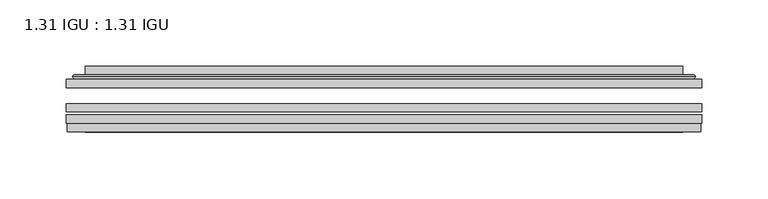
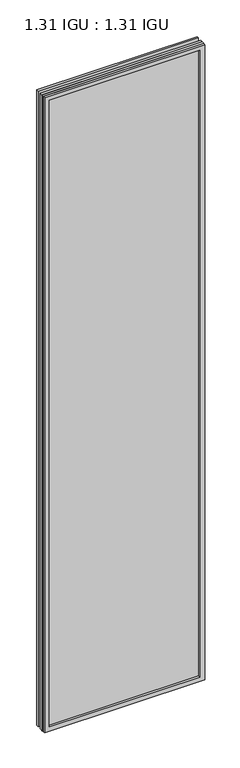
"""IFC4 building model written with IfcOpenShell, lengths in millimetres: plate geometry, 1.31 IGU : 1.31 IGU."""

from ifc_helpers import new_model, si_unit, frame, origin, place, context, project, spatial, polyline, ellipse_curve, outline, extrude, faceted_brep, source, transform, mapped, element, save
from ifc_brep_helpers import plane_surface, cylinder_surface, advanced_brep


def plate_1_31_igu_1_31_igu_8523400d(model_context):
    return source(origin(), model_context, "Body", "SolidModel", [
        extrude(outline(polyline([(239.726675, -63.59525), (239.726675, -69.94525), (-239.7125, -69.94525), (-239.7125, -63.59525), (239.726675, -63.59525)])), frame((0.0, 0.0, -14.2875), z_axis=(0.0, 0.0, 1.0), x_axis=(1.0, 0.0, 0.0)), (0.0, 0.0, 1.0), 2009.8015278),
        extrude(outline(polyline([(-239.7125, -78.58125), (-239.7125, -72.230745), (239.726675, -72.230745), (239.726675, -78.58125), (-239.7125, -78.58125)])), frame((0.0, 0.0, -14.2875), z_axis=(0.0, 0.0, 1.0), x_axis=(1.0, 0.0, 0.0)), (0.0, 0.0, 1.0), 2009.8015278),
        extrude(outline(polyline([(239.726675, -45.25645), (239.726675, -51.60645), (-239.7125, -51.60645), (-239.7125, -45.25645), (239.726675, -45.25645)])), frame((0.0, 0.0, -14.2875), z_axis=(0.0, 0.0, 1.0), x_axis=(1.0, 0.0, 0.0)), (0.0, 0.0, 1.0), 2009.8015278),
        faceted_brep([(-239.0123142, -84.93125, 1994.8100441), (-239.0123142, -78.58125, 1994.8100441), (-239.0123142, -78.58125, -13.5873142), (-239.0123142, -84.93125, -13.5873142), (239.0123142, -78.58125, -13.5873142), (239.0123142, -84.93125, -13.5873142), (239.0123142, -78.58125, 1994.8100441), (239.0123142, -84.93125, 1994.8100441), (-224.5272559, -78.58125, 0.8977441), (224.5272559, -78.58125, 0.8977441), (224.5272559, -78.58125, 1980.3249858), (-224.5272559, -78.58125, 1980.3249858), (-225.4196902, -84.93125, 1981.2174201), (225.4196902, -84.93125, 1981.2174201), (225.4196902, -84.93125, 0.0053098), (-225.4196902, -84.93125, 0.0053098)], [[[0, 1, 2, 3]], [[3, 2, 4, 5]], [[5, 4, 6, 7]], [[1, 6, 4, 2], [8, 9, 10, 11]], [[7, 6, 1, 0]], [[3, 5, 7, 0], [12, 13, 14, 15]], [[11, 12, 15, 8]], [[8, 15, 14, 9]], [[9, 14, 13, 10]], [[10, 13, 12, 11]]]),
        advanced_brep(
        [(-232.471219, -45.25645, 1988.2689489), (-234.8254244, -43.2667833, 1990.6231543), (-234.8254244, -43.2667833, -9.4004244), (-232.471219, -45.25645, -7.046219), (-223.3968939, -41.416413, 1979.1946238), (-218.4620621, -45.25645, 1974.2597919), (-218.4620621, -45.25645, 6.9629379), (-223.3968939, -41.416413, 2.0281061), (-224.4289217, -36.0191819, 1980.2266515), (-224.4289217, -36.0191819, 0.9960783), (-225.4195784, -35.6202069, 1981.2173083), (-225.4195784, -35.6202069, 0.0054216), (-225.4195784, -42.08145, 1981.2173083), (-225.4195784, -42.08145, 0.0054216), (-233.8236349, -42.08145, 1989.6213648), (-233.8236349, -42.08145, -8.3986349), (234.8254244, -43.2667833, -9.4004244), (232.471219, -45.25645, -7.046219), (218.4620621, -45.25645, 6.9629379), (223.3968939, -41.416413, 2.0281061), (224.4289217, -36.0191819, 0.9960783), (225.4195784, -35.6202069, 0.0054216), (225.4195784, -42.08145, 0.0054216), (233.8236349, -42.08145, -8.3986349), (234.8254244, -43.2667833, 1990.6231543), (232.471219, -45.25645, 1988.2689489), (218.4620621, -45.25645, 1974.2597919), (223.3968939, -41.416413, 1979.1946238), (224.4289217, -36.0191819, 1980.2266515), (225.4195784, -35.6202069, 1981.2173083), (225.4195784, -42.08145, 1981.2173083), (233.8236349, -42.08145, 1989.6213648)],
        [
            (0, 1, ellipse_curve(frame((-232.471219, -42.86885, 1988.2689489), z_axis=(-0.7071067811865475, 0.0, -0.7071067811865475), x_axis=(-0.7071067811865474, 0.0, 0.7071067811865476)), 3.3765763, 2.3876)),
            (1, 2),
            (2, 3, ellipse_curve(frame((-232.471219, -42.86885, -7.046219), z_axis=(-0.7071067811865475, 0.0, 0.7071067811865475), x_axis=(0.7071067811865474, 0.0, 0.7071067811865476)), 3.3765763, 2.3876)),
            (3, 0),
            (4, 5),
            (5, 6),
            (6, 7),
            (7, 4),
            (8, 4),
            (7, 9),
            (9, 8),
            (10, 8, ellipse_curve(frame((-225.0526219, -36.1384423, 1980.8503517), z_axis=(-0.7071067811865475, 0.0, -0.7071067811865475), x_axis=(-0.7071067811865474, 0.0, 0.7071067811865476)), 0.8980256, 0.635)),
            (9, 11, ellipse_curve(frame((-225.0526219, -36.1384423, 0.3723781), z_axis=(-0.7071067811865475, 0.0, 0.7071067811865475), x_axis=(0.7071067811865474, 0.0, 0.7071067811865476)), 0.8980256, 0.635)),
            (11, 10),
            (12, 10),
            (11, 13),
            (13, 12),
            (1, 14, ellipse_curve(frame((-233.8236349, -43.09745, 1989.6213648), z_axis=(-0.7071067811865475, 0.0, -0.7071067811865475), x_axis=(-0.7071067811865474, 0.0, 0.7071067811865476)), 1.436841, 1.016)),
            (14, 15),
            (15, 2, ellipse_curve(frame((-233.8236349, -43.09745, -8.3986349), z_axis=(-0.7071067811865475, 0.0, 0.7071067811865475), x_axis=(0.7071067811865474, 0.0, 0.7071067811865476)), 1.436841, 1.016)),
            (2, 16),
            (16, 17, ellipse_curve(frame((232.471219, -42.86885, -7.046219), z_axis=(-0.7071067811865475, 0.0, -0.7071067811865475), x_axis=(-0.7071067811865476, 0.0, 0.7071067811865474)), 3.3765763, 2.3876)),
            (17, 3),
            (6, 18),
            (18, 19),
            (19, 7),
            (19, 20),
            (20, 9),
            (20, 21, ellipse_curve(frame((225.0526219, -36.1384423, 0.3723781), z_axis=(-0.7071067811865475, 0.0, -0.7071067811865475), x_axis=(-0.7071067811865476, 0.0, 0.7071067811865474)), 0.8980256, 0.635)),
            (21, 11),
            (21, 22),
            (22, 13),
            (15, 23),
            (23, 16, ellipse_curve(frame((233.8236349, -43.09745, -8.3986349), z_axis=(-0.7071067811865475, 0.0, -0.7071067811865475), x_axis=(-0.7071067811865476, 0.0, 0.7071067811865474)), 1.436841, 1.016)),
            (16, 24),
            (24, 25, ellipse_curve(frame((232.471219, -42.86885, 1988.2689489), z_axis=(0.7071067811865475, 0.0, -0.7071067811865475), x_axis=(-0.7071067811865474, 0.0, -0.7071067811865476)), 3.3765763, 2.3876)),
            (25, 17),
            (18, 26),
            (26, 27),
            (27, 19),
            (27, 28),
            (28, 20),
            (28, 29, ellipse_curve(frame((225.0526219, -36.1384423, 1980.8503517), z_axis=(0.7071067811865475, 0.0, -0.7071067811865475), x_axis=(-0.7071067811865474, 0.0, -0.7071067811865476)), 0.8980256, 0.635)),
            (29, 21),
            (29, 30),
            (30, 22),
            (23, 31),
            (31, 24, ellipse_curve(frame((233.8236349, -43.09745, 1989.6213648), z_axis=(0.7071067811865475, 0.0, -0.7071067811865475), x_axis=(-0.7071067811865474, 0.0, -0.7071067811865476)), 1.436841, 1.016)),
            (24, 1),
            (0, 25),
            (5, 26),
            (4, 27),
            (8, 28),
            (10, 29),
            (12, 30),
            (14, 31),
        ],
        [
            cylinder_surface(frame((-232.471219, -42.86885, 2012.9727299), z_axis=(0.0, 0.0, 1.0), x_axis=(-1.0, 0.0, 0.0)), 2.3876),
            plane_surface(frame((-218.4620621, -45.25645, 1974.2597919), z_axis=(0.6141233906514794, 0.7892100234124821, 0.0), x_axis=(0.0, 0.0, -1.0))),
            plane_surface(frame((-223.3968939, -41.416413, 1979.1946238), z_axis=(0.9822050625507729, 0.18781164793386076, 0.0), x_axis=(0.0, 0.0, -1.0))),
            cylinder_surface(frame((-225.0526219, -36.1384423, 2012.9727299), z_axis=(0.0, 0.0, 1.0), x_axis=(-1.0, 0.0, 0.0)), 0.635),
            plane_surface(frame((-225.4195784, -35.6202069, 1981.2173083), z_axis=(-1.0, 0.0, 0.0), x_axis=(0.0, 0.0, -1.0))),
            cylinder_surface(frame((-233.8236349, -43.09745, 2012.9727299), z_axis=(0.0, 0.0, 1.0), x_axis=(-1.0, 0.0, 0.0)), 1.016),
            cylinder_surface(frame((-257.175, -42.86885, -7.046219), z_axis=(-1.0, 0.0, 0.0), x_axis=(0.0, 0.0, -1.0)), 2.3876),
            plane_surface(frame((-218.4620621, -45.25645, 6.9629379), z_axis=(0.0, 0.7892100234124841, 0.6141233906514768), x_axis=(1.0, 0.0, 0.0))),
            plane_surface(frame((-223.3968939, -41.416413, 2.0281061), z_axis=(0.0, 0.18781164793386393, 0.9822050625507723), x_axis=(1.0, 0.0, 0.0))),
            cylinder_surface(frame((-257.175, -36.1384423, 0.3723781), z_axis=(-1.0, 0.0, 0.0), x_axis=(0.0, 0.0, -1.0)), 0.635),
            plane_surface(frame((-225.4195784, -35.6202069, 0.0054216), z_axis=(0.0, 0.0, -1.0), x_axis=(1.0, 0.0, 0.0))),
            cylinder_surface(frame((-257.175, -43.09745, -8.3986349), z_axis=(-1.0, 0.0, 0.0), x_axis=(0.0, 0.0, -1.0)), 1.016),
            cylinder_surface(frame((232.471219, -42.86885, -31.75), z_axis=(0.0, 0.0, -1.0), x_axis=(1.0, 0.0, 0.0)), 2.3876),
            plane_surface(frame((218.4620621, -45.25645, 6.9629379), z_axis=(-0.6141233906514743, 0.7892100234124861, 0.0), x_axis=(0.0, 0.0, 1.0))),
            plane_surface(frame((223.3968939, -41.416413, 2.0281061), z_axis=(-0.9822050625507718, 0.1878116479338671, 0.0), x_axis=(0.0, 0.0, 1.0))),
            cylinder_surface(frame((225.0526219, -36.1384423, -31.75), z_axis=(0.0, 0.0, -1.0), x_axis=(1.0, 0.0, 0.0)), 0.635),
            plane_surface(frame((225.4195784, -35.6202069, 0.0054216), z_axis=(1.0, 0.0, 0.0), x_axis=(0.0, 0.0, 1.0))),
            cylinder_surface(frame((233.8236349, -43.09745, -31.75), z_axis=(0.0, 0.0, -1.0), x_axis=(1.0, 0.0, 0.0)), 1.016),
            cylinder_surface(frame((257.175, -42.86885, 1988.2689489), z_axis=(1.0, 0.0, 0.0), x_axis=(0.0, 0.0, 1.0)), 2.3876),
            plane_surface(frame((232.471219, -45.25645, 1988.2689489), z_axis=(0.0, -1.0, 0.0), x_axis=(-1.0, 0.0, 0.0))),
            plane_surface(frame((218.4620621, -45.25645, 1974.2597919), z_axis=(0.0, 0.7892100234124841, -0.6141233906514768), x_axis=(-1.0, 0.0, 0.0))),
            plane_surface(frame((223.3968939, -41.416413, 1979.1946238), z_axis=(0.0, 0.18781164793386393, -0.9822050625507723), x_axis=(-1.0, 0.0, 0.0))),
            cylinder_surface(frame((257.175, -36.1384423, 1980.8503517), z_axis=(1.0, 0.0, 0.0), x_axis=(0.0, 0.0, 1.0)), 0.635),
            plane_surface(frame((225.4195784, -35.6202069, 1981.2173083), z_axis=(0.0, 0.0, 1.0), x_axis=(-1.0, 0.0, 0.0))),
            plane_surface(frame((225.4195784, -42.08145, 1981.2173083), z_axis=(0.0, 1.0, 0.0), x_axis=(-1.0, 0.0, 0.0))),
            cylinder_surface(frame((257.175, -43.09745, 1989.6213648), z_axis=(1.0, 0.0, 0.0), x_axis=(0.0, 0.0, 1.0)), 1.016),
        ],
        [
            (0, [[1, 2, 3, 4]]),
            (1, [[5, 6, 7, 8]]),
            (2, [[9, -8, 10, 11]]),
            (3, [[12, -11, 13, 14]]),
            (4, [[15, -14, 16, 17]]),
            (5, [[18, 19, 20, -2]]),
            (6, [[-3, 21, 22, 23]]),
            (7, [[-7, 24, 25, 26]]),
            (8, [[-10, -26, 27, 28]]),
            (9, [[-13, -28, 29, 30]]),
            (10, [[-16, -30, 31, 32]]),
            (11, [[-20, 33, 34, -21]]),
            (12, [[-22, 35, 36, 37]]),
            (13, [[-25, 38, 39, 40]]),
            (14, [[-27, -40, 41, 42]]),
            (15, [[-29, -42, 43, 44]]),
            (16, [[-31, -44, 45, 46]]),
            (17, [[-34, 47, 48, -35]]),
            (18, [[-36, 49, -1, 50]]),
            (19, [[-23, -37, -50, -4], [51, -38, -24, -6]]),
            (20, [[-39, -51, -5, 52]]),
            (21, [[-41, -52, -9, 53]]),
            (22, [[-43, -53, -12, 54]]),
            (23, [[-45, -54, -15, 55]]),
            (24, [[56, -47, -33, -19], [-32, -46, -55, -17]]),
            (25, [[-48, -56, -18, -49]]),
        ],
    ),
    ])


if __name__ == "__main__":
    model = new_model("IFC4")
    model_context = context("Model", 3, world=origin())
    ifc_project = project(units=[si_unit("LENGTHUNIT", "METRE", prefix="MILLI")], contexts=[model_context])
    site = spatial("IfcSite", under=ifc_project)
    building = spatial("IfcBuilding", under=site)
    placement = place(None, origin())
    plate_1_31_igu_1_31_igu_shape = plate_1_31_igu_1_31_igu_8523400d(model_context)
    element("IfcPlate", 1, ObjectType="1.31 IGU : 1.31 IGU", at=placement, inside=building, context=model_context, shape_type="MappedRepresentation", body=[
        mapped(plate_1_31_igu_1_31_igu_shape, transform((0.0, 0.0, 0.0), x_axis=(1.0, 0.0, 0.0), y_axis=(0.0, 1.0, 0.0), z_axis=(0.0, 0.0, 1.0))),
    ])
    save(model, "model.ifc")
